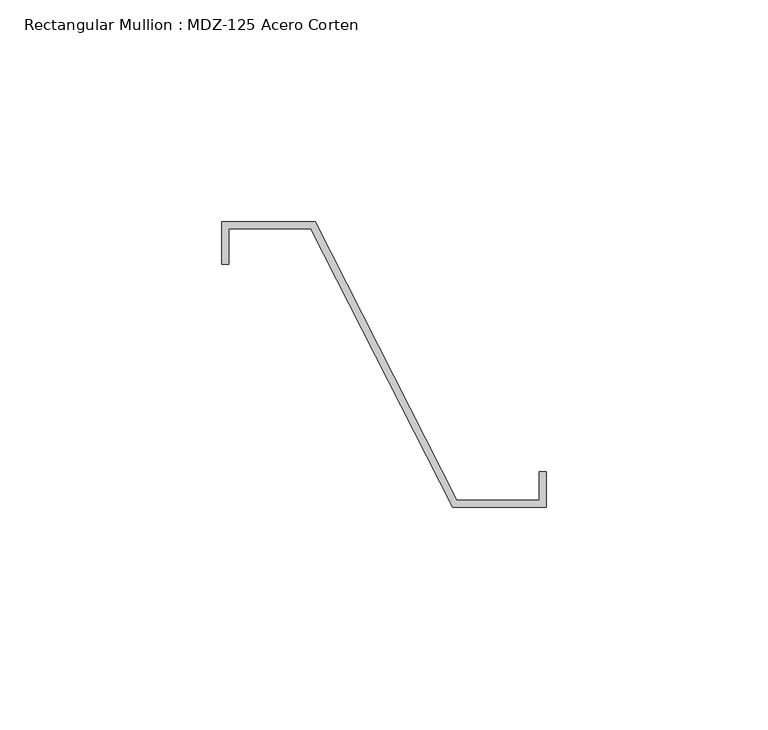
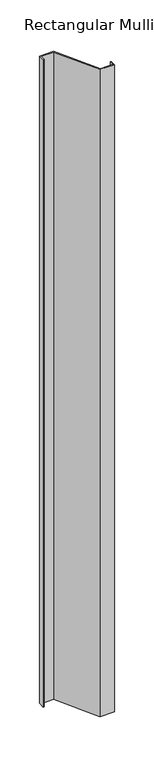
"""IFC4 building model written with IfcOpenShell, lengths in millimetres: member geometry, Rectangular Mullion : MDZ-125 Acero Corten."""

from ifc_helpers import new_model, si_unit, frame, origin, place, context, project, spatial, polyline, outline, extrude, source, transform, mapped, element, save


def rectangular_mullion_mdz_125_acero_corten_fa978608(model_context):
    return source(origin(), model_context, "Body", "SweptSolid", [
        extrude(outline(polyline([(21.0, 0.0), (0.0, 0.0), (-31.9609312, 62.7268593), (-50.5137008, 62.7268593), (-50.5137008, 54.7268593), (-52.0137008, 54.7268593), (-52.0137008, 64.2268593), (-31.04173, 64.2268593), (0.9192012, 1.5), (19.5, 1.5), (19.5, 8.0), (21.0, 8.0), (21.0, 0.0)])), frame((0.0, 0.0, -1000.0), z_axis=(0.0, 0.0, 1.0), x_axis=(1.0, 0.0, 0.0)), (0.0, 0.0, 1.0), 1000.0),
    ])


if __name__ == "__main__":
    model = new_model("IFC4")
    model_context = context("Model", 3, world=origin())
    ifc_project = project(units=[si_unit("LENGTHUNIT", "METRE", prefix="MILLI")], contexts=[model_context])
    site = spatial("IfcSite", under=ifc_project)
    building = spatial("IfcBuilding", under=site)
    placement = place(None, origin())
    rectangular_mullion_mdz_125_acero_corten_shape = rectangular_mullion_mdz_125_acero_corten_fa978608(model_context)
    element("IfcMember", 1, ObjectType="Rectangular Mullion : MDZ-125 Acero Corten", at=placement, inside=building, context=model_context, shape_type="MappedRepresentation", body=[
        mapped(rectangular_mullion_mdz_125_acero_corten_shape, transform((0.0, 0.0, 0.0), x_axis=(1.0, 0.0, 0.0), y_axis=(0.0, 1.0, 0.0), z_axis=(0.0, 0.0, 1.0))),
    ])
    save(model, "model.ifc")
